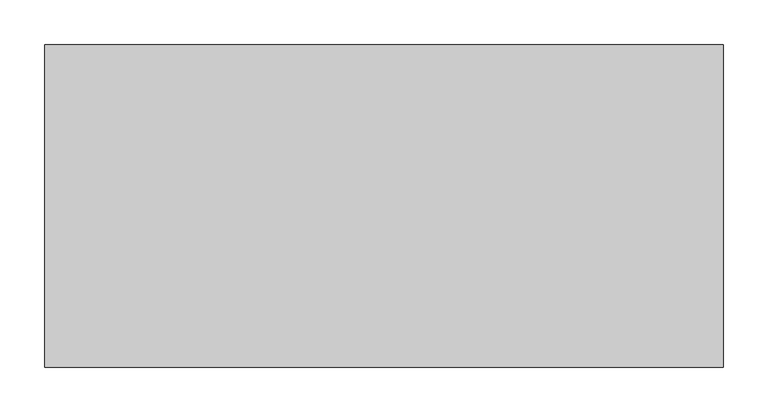
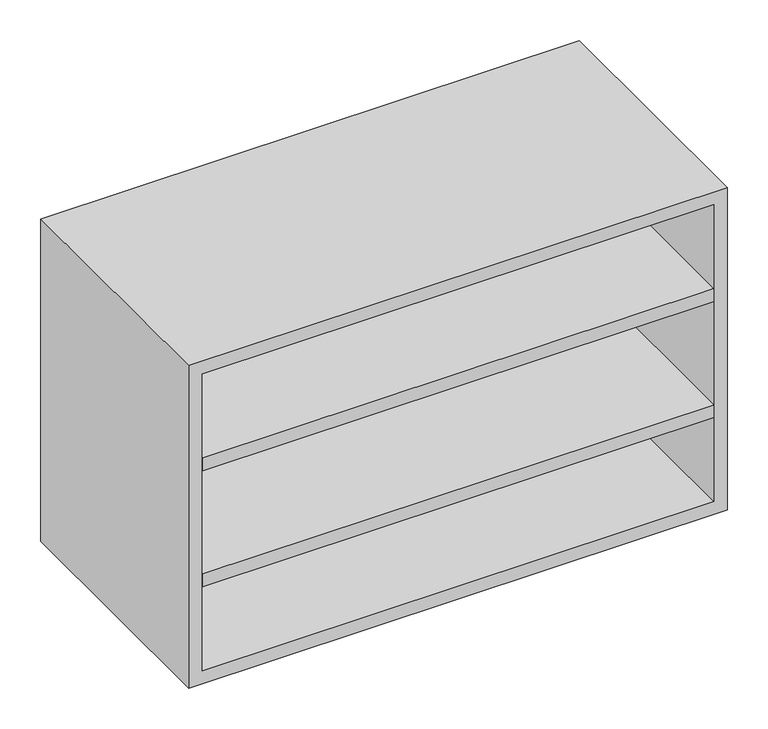
"""IFC4 building model written with IfcOpenShell, lengths in millimetres: furniture geometry."""

from ifc_helpers import new_model, si_unit, frame, origin, place, context, project, spatial, polyline, outline, extrude, source, transform, mapped, element, save


def furniture_cc8d80e2(model_context):
    return source(origin(), model_context, "Body", "SweptSolid", [
        extrude(outline(polyline([(361.9569453, 161.925), (361.9569453, -180.975), (-361.9291641, -180.975), (-361.9291641, 161.925), (361.9569453, 161.925)])), frame((0.0, 0.0, 1055.1583333), z_axis=(0.0, 0.0, 1.0), x_axis=(1.0, 0.0, 0.0)), (0.0, 0.0, 1.0), 19.05),
        extrude(outline(polyline([(361.9569453, 161.925), (361.9569453, -180.975), (-361.9291641, -180.975), (-361.9291641, 161.925), (361.9569453, 161.925)])), frame((0.0, 0.0, 881.5916667), z_axis=(0.0, 0.0, 1.0), x_axis=(1.0, 0.0, 0.0)), (0.0, 0.0, 1.0), 19.05),
        extrude(outline(polyline([(736.6, -380.9861094), (736.6, 381.0138906), (1219.2, 381.0138906), (1219.2, -380.9861094), (736.6, -380.9861094)]), holes=[polyline([(755.65, -361.9361094), (1200.15, -361.9361094), (1200.15, 361.9569453), (755.65, 361.9569453), (755.65, -361.9361094)])]), frame((0.0, -180.975, 0.0), z_axis=(0.0, 1.0, 0.0), x_axis=(0.0, 0.0, 1.0)), (0.0, 0.0, 1.0), 361.95),
        extrude(outline(polyline([(-361.9291641, 161.925), (-361.9291641, 180.975), (361.9569453, 180.975), (361.9569453, 161.925), (-361.9291641, 161.925)])), frame((0.0, 0.0, 755.65), z_axis=(0.0, 0.0, 1.0), x_axis=(1.0, 0.0, 0.0)), (0.0, 0.0, 1.0), 444.5),
    ])


if __name__ == "__main__":
    model = new_model("IFC4")
    model_context = context("Model", 3, world=origin())
    ifc_project = project(units=[si_unit("LENGTHUNIT", "METRE", prefix="MILLI")], contexts=[model_context])
    site = spatial("IfcSite", under=ifc_project)
    building = spatial("IfcBuilding", under=site)
    placement = place(None, origin())
    furniture_shape = furniture_cc8d80e2(model_context)
    element("IfcFurniture", 1, at=placement, inside=building, context=model_context, shape_type="MappedRepresentation", body=[
        mapped(furniture_shape, transform((0.0, 0.0, 0.0), x_axis=(1.0, 0.0, 0.0), y_axis=(0.0, 1.0, 0.0), z_axis=(0.0, 0.0, 1.0))),
    ])
    save(model, "model.ifc")
